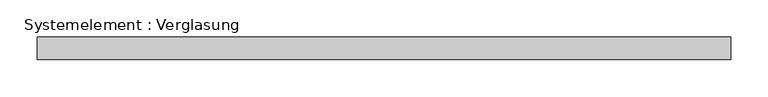
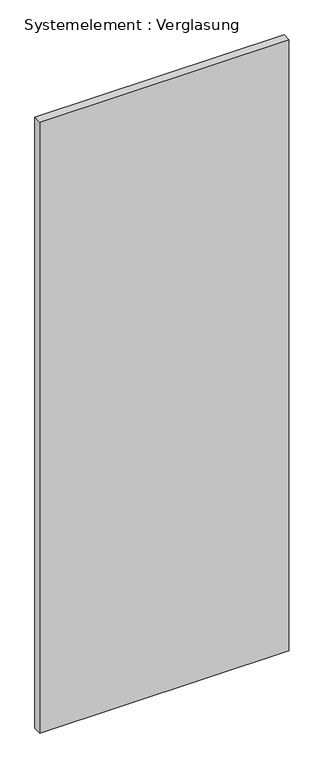
"""IFC4 building model written with IfcOpenShell, lengths in millimetres: plate geometry, Systemelement : Verglasung."""

from ifc_helpers import new_model, si_unit, origin, origin_with_axes, place, context, project, spatial, polyline, outline, extrude, source, transform, mapped, element, save


def systemelement_verglasung_ac78769b(model_context):
    return source(origin(), model_context, "Body", "SweptSolid", [
        extrude(outline(polyline([(465.2083333, -15.0), (-465.2083333, -15.0), (-465.2083333, 15.0), (465.2083333, 15.0), (465.2083333, -15.0)])), origin_with_axes(), (0.0, 0.0, 1.0), 2410.0),
    ])


if __name__ == "__main__":
    model = new_model("IFC4")
    model_context = context("Model", 3, world=origin())
    ifc_project = project(units=[si_unit("LENGTHUNIT", "METRE", prefix="MILLI")], contexts=[model_context])
    site = spatial("IfcSite", under=ifc_project)
    building = spatial("IfcBuilding", under=site)
    placement = place(None, origin())
    systemelement_verglasung_shape = systemelement_verglasung_ac78769b(model_context)
    element("IfcPlate", 1, ObjectType="Systemelement : Verglasung", at=placement, inside=building, context=model_context, shape_type="MappedRepresentation", body=[
        mapped(systemelement_verglasung_shape, transform((0.0, 0.0, 0.0), x_axis=(1.0, 0.0, 0.0), y_axis=(0.0, 1.0, 0.0), z_axis=(0.0, 0.0, 1.0))),
    ])
    save(model, "model.ifc")
